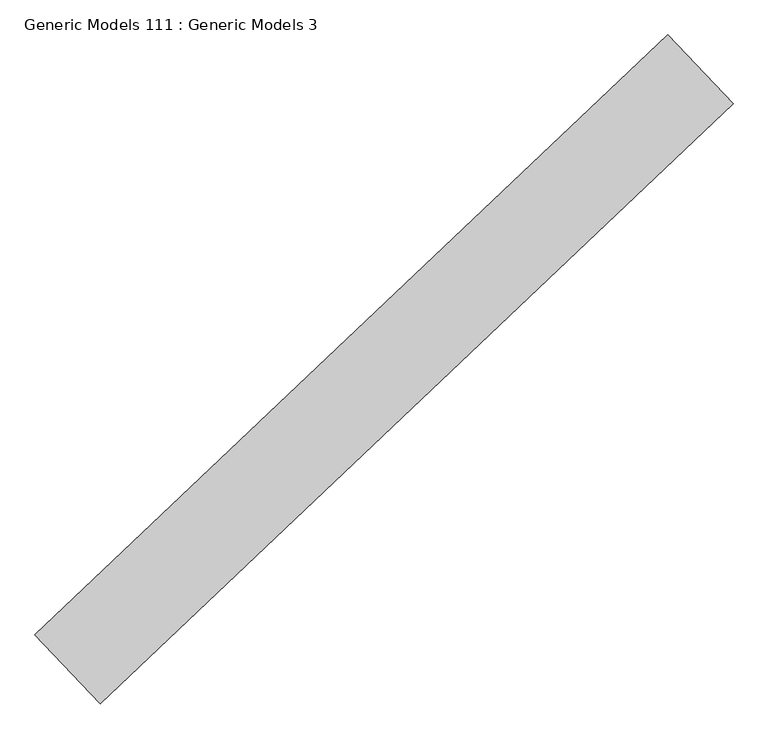
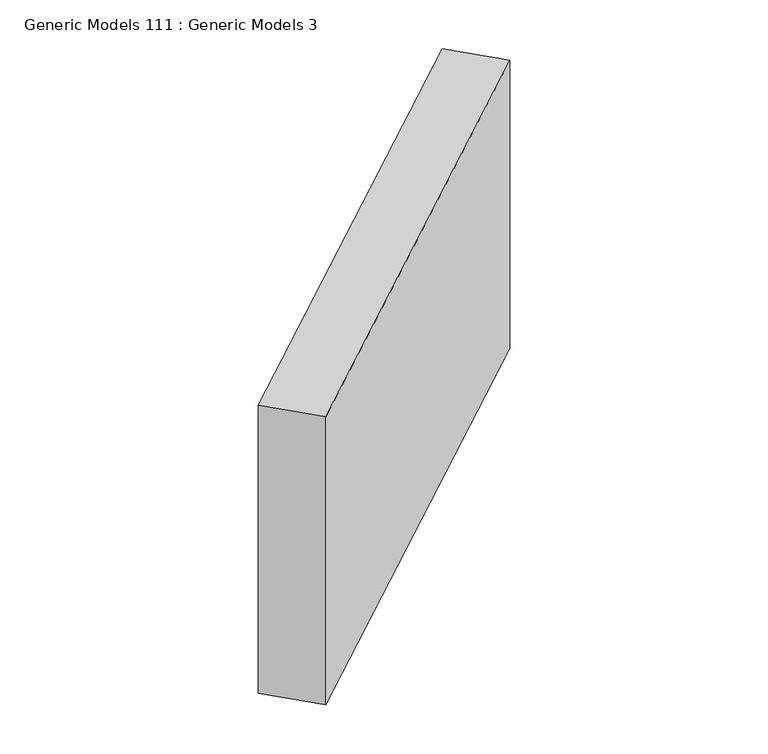
"""IFC4 building model written with IfcOpenShell, lengths in millimetres: proxy geometry, Generic Models 111 : Generic Models 3."""

from ifc_helpers import new_model, si_unit, frame, origin, place, context, project, spatial, polyline, outline, extrude, source, transform, mapped, element, save


def generic_models_111_generic_models_3_fd7f38dc(model_context):
    return source(origin(), model_context, "Body", "SweptSolid", [
        extrude(outline(polyline([(102826.7746509, 43492.0548046), (102920.7522594, 43393.0230686), (102012.1936581, 42530.8331492), (101918.2160497, 42629.8648852), (102826.7746509, 43492.0548046)])), frame((0.0, 0.0, 17126.2127012), z_axis=(0.0, 0.0, 1.0), x_axis=(1.0, 0.0, 0.0)), (0.0, 0.0, 1.0), 679.1872988),
    ])


if __name__ == "__main__":
    model = new_model("IFC4")
    model_context = context("Model", 3, world=origin())
    ifc_project = project(units=[si_unit("LENGTHUNIT", "METRE", prefix="MILLI")], contexts=[model_context])
    site = spatial("IfcSite", under=ifc_project)
    building = spatial("IfcBuilding", under=site)
    placement = place(None, origin())
    generic_models_111_generic_models_3_shape = generic_models_111_generic_models_3_fd7f38dc(model_context)
    element("IfcBuildingElementProxy", 1, Name="Generic Models 111 : Generic Models 3", ObjectType="Generic Models 111 : Generic Models 3", at=placement, inside=building, context=model_context, shape_type="MappedRepresentation", body=[
        mapped(generic_models_111_generic_models_3_shape, transform((0.0, 0.0, 0.0), x_axis=(1.0, 0.0, 0.0), y_axis=(0.0, 1.0, 0.0), z_axis=(0.0, 0.0, 1.0))),
    ])
    save(model, "model.ifc")
